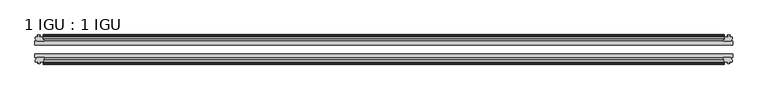
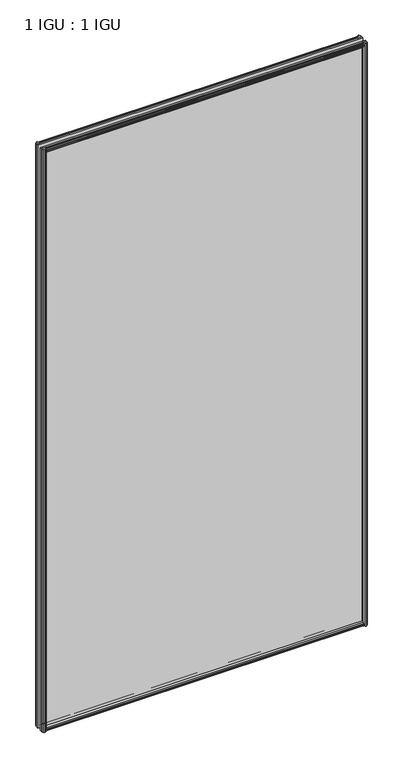
"""IFC4 building model written with IfcOpenShell, lengths in millimetres: plate geometry, 1 IGU : 1 IGU."""

from ifc_helpers import new_model, si_unit, frame, origin, place, context, project, spatial, polyline, outline, extrude, source, transform, mapped, element, save


def plate_1_igu_1_igu_63b83558(model_context):
    return source(origin(), model_context, "Body", "SweptSolid", [
        extrude(outline(polyline([(-25.8960937, 1.1970181), (-19.5460937, -0.5207), (-19.5460937, -5.7277), (-17.1658968, -6.1087), (-17.62583, -4.6931709), (-16.8246158, -4.6931709), (-16.1170937, -6.8707), (-16.8246158, -9.0482291), (-17.62583, -9.0482291), (-17.1658968, -7.6327), (-19.5460937, -8.0137), (-19.5460937, -12.4587), (-22.4924937, -12.4587), (-25.8960937, -9.6243578), (-25.8960937, 1.1970181)])), frame((-520.2369235, 0.0, 0.0), z_axis=(1.0, 0.0, 0.0), x_axis=(0.0, 1.0, 0.0)), (0.0, 0.0, 1.0), 1040.4738469),
        extrude(outline(polyline([(-51.2960937, 1.7177181), (-51.2960937, -9.1036578), (-54.6996937, -11.938), (-57.6460937, -11.938), (-57.6460937, -7.493), (-60.0262907, -7.112), (-59.5663575, -8.5275291), (-60.3675717, -8.5275291), (-61.0750937, -6.35), (-60.3675717, -4.1724709), (-59.5663575, -4.1724709), (-60.0262907, -5.588), (-57.6460937, -5.207), (-57.6460937, 0.0), (-51.2960937, 1.7177181)])), frame((-520.2369235, 0.0, 0.0), z_axis=(1.0, 0.0, 0.0), x_axis=(0.0, 1.0, 0.0)), (0.0, 0.0, 1.0), 1040.4738469),
        extrude(outline(polyline([(-57.6460937, 2005.838), (-54.6996937, 2005.838), (-51.2960937, 2003.0036578), (-51.2960937, 1992.1822819), (-57.6460937, 1993.9), (-57.6460937, 1999.107), (-60.0262907, 1999.488), (-59.5663575, 1998.072471), (-60.3675717, 1998.072471), (-61.0750937, 2000.25), (-60.3675717, 2002.4275291), (-59.5663575, 2002.4275291), (-60.0262907, 2001.012), (-57.6460937, 2001.393), (-57.6460937, 2005.838)])), frame((-520.2369235, 0.0, 0.0), z_axis=(1.0, 0.0, 0.0), x_axis=(0.0, 1.0, 0.0)), (0.0, 0.0, 1.0), 1040.4738469),
        extrude(outline(polyline([(-19.5460937, 2006.3587), (-19.5460937, 2001.9137), (-17.1658968, 2001.5327), (-17.62583, 2002.9482291), (-16.8246158, 2002.9482291), (-16.1170937, 2000.7707), (-16.8246158, 1998.593171), (-17.62583, 1998.593171), (-17.1658968, 2000.0087), (-19.5460937, 1999.6277), (-19.5460937, 1994.4207), (-25.8960937, 1992.7029819), (-25.8960937, 2003.5243578), (-22.4924937, 2006.3587), (-19.5460937, 2006.3587)])), frame((-520.2369235, 0.0, 0.0), z_axis=(1.0, 0.0, 0.0), x_axis=(0.0, 1.0, 0.0)), (0.0, 0.0, 1.0), 1040.4738469),
        extrude(outline(polyline([(-527.1076235, -16.1170937), (-524.9300944, -16.8246158), (-524.9300944, -17.62583), (-526.3456235, -17.1658968), (-525.9646235, -19.5460937), (-520.7576235, -19.5460937), (-519.0399054, -25.8960937), (-529.8612813, -25.8960937), (-532.6956235, -22.4924937), (-532.6956235, -19.5460937), (-528.2506235, -19.5460937), (-527.8696235, -17.1658968), (-529.2851525, -17.62583), (-529.2851525, -16.8246158), (-527.1076235, -16.1170937)])), frame((0.0, 0.0, -12.7), z_axis=(0.0, 0.0, 1.0), x_axis=(1.0, 0.0, 0.0)), (0.0, 0.0, 1.0), 2019.3),
        extrude(outline(polyline([(-526.5869235, -61.0750938), (-528.7644525, -60.3675717), (-528.7644525, -59.5663575), (-527.3489235, -60.0262907), (-527.7299235, -57.6460938), (-532.1749235, -57.6460938), (-532.1749235, -54.6996938), (-529.3405813, -51.2960937), (-518.5192054, -51.2960937), (-520.2369235, -57.6460938), (-525.4439235, -57.6460938), (-525.8249235, -60.0262907), (-524.4093944, -59.5663575), (-524.4093944, -60.3675717), (-526.5869235, -61.0750938)])), frame((0.0, 0.0, -12.7), z_axis=(0.0, 0.0, 1.0), x_axis=(1.0, 0.0, 0.0)), (0.0, 0.0, 1.0), 2019.3),
        extrude(outline(polyline([(525.9646235, -19.5460937), (526.3456235, -17.1658968), (524.9300944, -17.62583), (524.9300944, -16.8246158), (527.1076235, -16.1170937), (529.2851525, -16.8246158), (529.2851525, -17.62583), (527.8696235, -17.1658968), (528.2506235, -19.5460937), (532.6956235, -19.5460937), (532.6956235, -22.4924937), (529.8612813, -25.8960937), (519.0399054, -25.8960937), (520.7576235, -19.5460937), (525.9646235, -19.5460937)])), frame((0.0, 0.0, -12.7), z_axis=(0.0, 0.0, 1.0), x_axis=(1.0, 0.0, 0.0)), (0.0, 0.0, 1.0), 2019.3),
        extrude(outline(polyline([(529.3405813, -51.2960937), (532.1749235, -54.6996937), (532.1749235, -57.6460937), (527.7299235, -57.6460937), (527.3489235, -60.0262907), (528.7644525, -59.5663575), (528.7644525, -60.3675717), (526.5869235, -61.0750937), (524.4093944, -60.3675717), (524.4093944, -59.5663575), (525.8249235, -60.0262907), (525.4439235, -57.6460937), (520.2369235, -57.6460937), (518.5192054, -51.2960937), (529.3405813, -51.2960937)])), frame((0.0, 0.0, -12.7), z_axis=(0.0, 0.0, 1.0), x_axis=(1.0, 0.0, 0.0)), (0.0, 0.0, 1.0), 2019.3),
        extrude(outline(polyline([(-532.9369235, -25.8960937), (532.9369235, -25.8960937), (532.9369235, -32.2460937), (-532.9369235, -32.2460937), (-532.9369235, -25.8960937)])), frame((0.0, 0.0, -12.7), z_axis=(0.0, 0.0, 1.0), x_axis=(1.0, 0.0, 0.0)), (0.0, 0.0, 1.0), 2019.3),
        extrude(outline(polyline([(532.9369235, -45.2686737), (532.9369235, -51.2960937), (-532.9369235, -51.2960937), (-532.9369235, -45.2686737), (532.9369235, -45.2686737)])), frame((0.0, 0.0, -12.7), z_axis=(0.0, 0.0, 1.0), x_axis=(1.0, 0.0, 0.0)), (0.0, 0.0, 1.0), 2019.3),
    ])


if __name__ == "__main__":
    model = new_model("IFC4")
    model_context = context("Model", 3, world=origin())
    ifc_project = project(units=[si_unit("LENGTHUNIT", "METRE", prefix="MILLI")], contexts=[model_context])
    site = spatial("IfcSite", under=ifc_project)
    building = spatial("IfcBuilding", under=site)
    placement = place(None, origin())
    plate_1_igu_1_igu_shape = plate_1_igu_1_igu_63b83558(model_context)
    element("IfcPlate", 1, ObjectType="1 IGU : 1 IGU", at=placement, inside=building, context=model_context, shape_type="MappedRepresentation", body=[
        mapped(plate_1_igu_1_igu_shape, transform((0.0, 0.0, 0.0), x_axis=(1.0, 0.0, 0.0), y_axis=(0.0, 1.0, 0.0), z_axis=(0.0, 0.0, 1.0))),
    ])
    save(model, "model.ifc")
